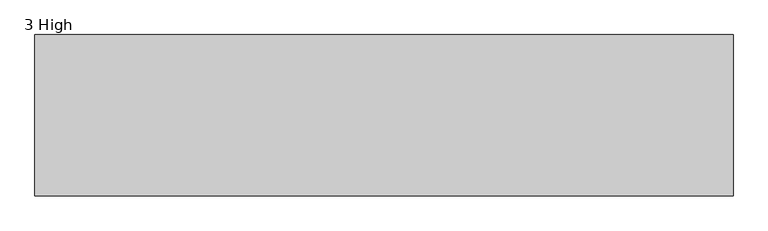
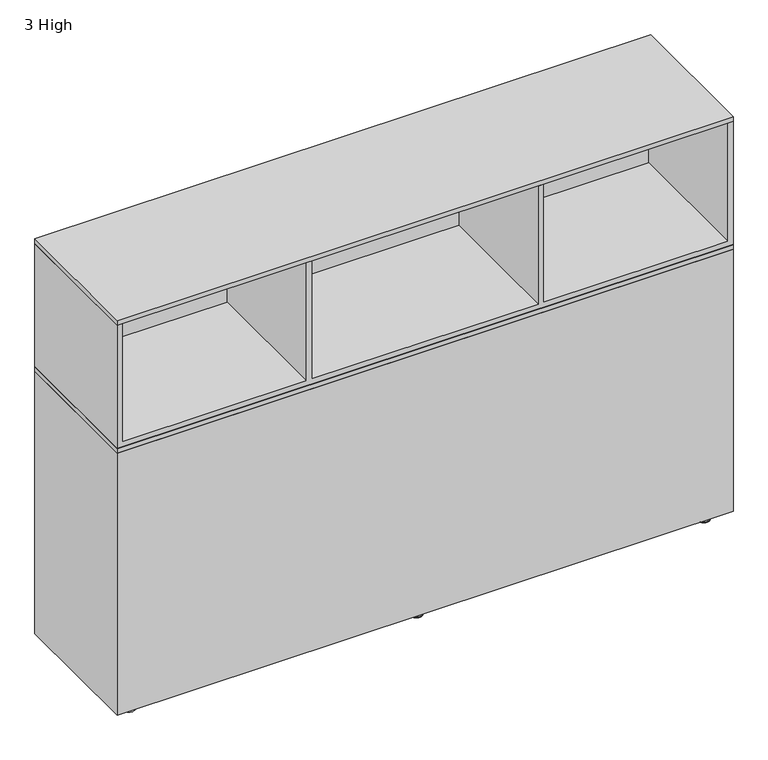
"""IFC4 building model written with IfcOpenShell, lengths in millimetres: furniture geometry, 3 High."""

from ifc_helpers import new_model, si_unit, point, frame, frame_2d, origin, place, context, project, spatial, polyline, circle_curve, ellipse_curve, trimmed, segment, composite_curve, outline, extrude, faceted_brep, source, transform, mapped, element, save
from ifc_brep_helpers import plane_surface, cylinder_surface, revolved_surface, spline_surface, advanced_brep


def furniture_3_high_ace3691c(model_context):
    return source(origin(), model_context, "Body", "SolidModel", [
        extrude(outline(polyline([(1524.0, 0.0), (1524.0, -352.425), (0.0, -352.425), (0.0, 0.0), (1524.0, 0.0)])), frame((0.0, 0.0, 711.2), z_axis=(0.0, 0.0, 1.0), x_axis=(1.0, 0.0, 0.0)), (0.0, 0.0, 1.0), 11.8411135),
        extrude(outline(polyline([(1524.0, 0.0), (1524.0, -352.425), (0.0, -352.425), (0.0, 0.0), (1524.0, 0.0)])), frame((0.0, 0.0, 1045.1923436), z_axis=(0.0, 0.0, 1.0), x_axis=(1.0, 0.0, 0.0)), (0.0, 0.0, 1.0), 12.5983953),
        faceted_brep([(1524.0, 0.0, 1045.1923436), (1524.0, -352.425, 1045.1923436), (1524.0, -352.425, 723.9), (1524.0, 0.0, 723.9), (0.0, 0.0, 1045.1923436), (0.0, 0.0, 723.9), (0.0, -352.425, 723.9), (0.0, -352.425, 1045.1923436), (1510.9189671, -352.425, 1045.1923436), (1510.9189671, -352.425, 736.6), (1054.3793919, -352.425, 736.6), (1054.3793919, -352.425, 1045.1923436), (1041.2984316, -352.425, 1045.1923436), (1041.2984316, -352.425, 736.6), (481.3553933, -352.425, 736.6), (481.3553933, -352.425, 1045.1923436), (468.2743967, -352.425, 1045.1923436), (468.2743967, -352.425, 736.6), (13.081, -352.425, 736.6), (13.081, -352.425, 1045.1923436), (13.081, -13.208, 1045.1923436), (468.2743967, -13.208, 1045.1923436), (481.3553933, -13.208, 1045.1923436), (1041.2984316, -13.208, 1045.1923436), (1054.3793919, -13.208, 1045.1923436), (1510.9189671, -13.208, 1045.1923436), (13.081, -13.208, 736.6), (468.2743967, -13.208, 736.6), (481.3553933, -13.208, 736.6), (1041.2984316, -13.208, 736.6), (1054.3793919, -13.208, 736.6), (1510.9189671, -13.208, 736.6)], [[[0, 1, 2, 3]], [[4, 5, 6, 7]], [[3, 5, 4, 0]], [[2, 6, 5, 3]], [[1, 8, 9, 10, 11, 12, 13, 14, 15, 16, 17, 18, 19, 7, 6, 2]], [[0, 4, 7, 19, 20, 21, 16, 15, 22, 23, 12, 11, 24, 25, 8, 1]], [[20, 19, 18, 26]], [[26, 18, 17, 27]], [[27, 17, 16, 21]], [[22, 15, 14, 28]], [[28, 14, 13, 29]], [[29, 13, 12, 23]], [[24, 11, 10, 30]], [[30, 10, 9, 31]], [[31, 9, 8, 25]], [[25, 24, 30, 31]], [[23, 22, 28, 29]], [[21, 20, 26, 27]]]),
        advanced_brep(
        [(776.7323801, -38.0780241, 2.6178944), (762.0156381, -38.0780241, 2.6178944), (747.2988961, -38.0780241, 2.6178944), (769.706563, -38.0780241, 8.8411838), (754.3247132, -38.0780241, 8.8411838), (769.706563, -38.0780241, 10.8986525), (754.3247132, -38.0780241, 10.8986525), (762.0156381, -38.0780241, 10.8986525)],
        [
            (0, 1),
            (1, 2),
            (2, 0, circle_curve(frame((762.0156381, -38.0780241, 2.6178944), z_axis=(0.0, 0.0, -1.0), x_axis=(-1.0, 0.0, 0.0)), 14.716742)),
            (0, 2, circle_curve(frame((762.0156381, -38.0780241, 2.6178944), z_axis=(0.0, 0.0, -1.0), x_axis=(-1.0, 0.0, 0.0)), 14.716742)),
            (3, 0, circle_curve(frame((776.0093917, -38.0780241, 8.8792349), z_axis=(0.0, -1.0, 0.0), x_axis=(-1.0, 0.0, 0.0)), 6.3029436)),
            (2, 4, circle_curve(frame((748.0218845, -38.0780241, 8.8792349), z_axis=(0.0, -1.0, 0.0), x_axis=(1.0, 0.0, 0.0)), 6.3029436)),
            (4, 3, circle_curve(frame((762.0156381, -38.0780241, 8.8411838), z_axis=(0.0, 0.0, -1.0), x_axis=(-1.0, 0.0, 0.0)), 7.6909249)),
            (3, 4, circle_curve(frame((762.0156381, -38.0780241, 8.8411838), z_axis=(0.0, 0.0, -1.0), x_axis=(-1.0, 0.0, 0.0)), 7.6909249)),
            (5, 3),
            (4, 6),
            (6, 5, circle_curve(frame((762.0156381, -38.0780241, 10.8986525), z_axis=(0.0, 0.0, -1.0), x_axis=(-1.0, 0.0, 0.0)), 7.6909249)),
            (5, 6, circle_curve(frame((762.0156381, -38.0780241, 10.8986525), z_axis=(0.0, 0.0, -1.0), x_axis=(-1.0, 0.0, 0.0)), 7.6909249)),
            (7, 5),
            (6, 7),
        ],
        [
            plane_surface(frame((762.0156381, -38.0780241, 2.6178944), z_axis=(0.0, 0.0, -1.0), x_axis=(-1.0, 0.0, 0.0))),
            revolved_surface(trimmed(ellipse_curve(frame((748.0218845, -38.0780241, 8.8792349), z_axis=(0.0, -1.0, 0.0), x_axis=(1.0, 0.0, 0.0)), 6.3029436, 6.3029436), [point((747.2988961, -38.0780241, 2.6178944))], [point((754.3247132, -38.0780241, 8.8411838))], True, "CARTESIAN"), (762.0156381, -38.0780241, 10.8986525), (0.0, 0.0, 1.0)),
            cylinder_surface(frame((762.0156381, -38.0780241, 10.8986525), z_axis=(0.0, 0.0, 1.0), x_axis=(-1.0, 0.0, 0.0)), 7.6909249),
            plane_surface(frame((762.0156381, -38.0780241, 10.8986525), z_axis=(0.0, 0.0, 1.0), x_axis=(-1.0, 0.0, 0.0))),
        ],
        [
            (0, [[1, 2, 3]]),
            (0, [[-2, -1, 4]]),
            (1, [[5, -3, 6, 7]]),
            (1, [[-6, -4, -5, 8]]),
            (2, [[9, -7, 10, 11]]),
            (2, [[-10, -8, -9, 12]]),
            (3, [[13, -11, 14]]),
            (3, [[-14, -12, -13]]),
        ],
    ),
        advanced_brep(
        [(775.1743443, -38.0780241, 0.0), (762.0269522, -38.0780241, 0.0), (748.8795601, -38.0780241, 0.0), (776.7550083, -38.0780241, 1.580664), (747.2988961, -38.0780241, 1.580664), (776.7550083, -38.0780241, 2.6178944), (747.2988961, -38.0780241, 2.6178944), (762.0269522, -38.0780241, 2.6178944)],
        [
            (0, 1),
            (1, 2),
            (2, 0, circle_curve(frame((762.0269522, -38.0780241, 0.0), z_axis=(0.0, 0.0, -1.0), x_axis=(-1.0, 0.0, 0.0)), 13.1473921)),
            (0, 2, circle_curve(frame((762.0269522, -38.0780241, 0.0), z_axis=(0.0, 0.0, -1.0), x_axis=(-1.0, 0.0, 0.0)), 13.1473921)),
            (3, 0, circle_curve(frame((775.1743443, -38.0780241, 1.580664), z_axis=(0.0, 1.0, 0.0), x_axis=(-1.0, 0.0, 0.0)), 1.580664)),
            (2, 4, circle_curve(frame((748.8795601, -38.0780241, 1.580664), z_axis=(0.0, 1.0, 0.0), x_axis=(1.0, 0.0, 0.0)), 1.580664)),
            (4, 3, circle_curve(frame((762.0269522, -38.0780241, 1.580664), z_axis=(0.0, 0.0, -1.0), x_axis=(-1.0, 0.0, 0.0)), 14.7280561)),
            (3, 4, circle_curve(frame((762.0269522, -38.0780241, 1.580664), z_axis=(0.0, 0.0, -1.0), x_axis=(-1.0, 0.0, 0.0)), 14.7280561)),
            (5, 3),
            (4, 6),
            (6, 5, circle_curve(frame((762.0269522, -38.0780241, 2.6178944), z_axis=(0.0, 0.0, -1.0), x_axis=(-1.0, 0.0, 0.0)), 14.7280561)),
            (5, 6, circle_curve(frame((762.0269522, -38.0780241, 2.6178944), z_axis=(0.0, 0.0, -1.0), x_axis=(-1.0, 0.0, 0.0)), 14.7280561)),
            (7, 5),
            (6, 7),
        ],
        [
            plane_surface(frame((762.0269522, -38.0780241, 0.0), z_axis=(0.0, 0.0, -1.0), x_axis=(-1.0, 0.0, 0.0))),
            revolved_surface(trimmed(ellipse_curve(frame((748.8795601, -38.0780241, 1.580664), z_axis=(0.0, 1.0, 0.0), x_axis=(1.0, 0.0, 0.0)), 1.580664, 1.580664), [point((748.8795601, -38.0780241, 0.0))], [point((747.2988961, -38.0780241, 1.580664))], True, "CARTESIAN"), (762.0269522, -38.0780241, 2.6178944), (0.0, 0.0, 1.0)),
            cylinder_surface(frame((762.0269522, -38.0780241, 2.6178944), z_axis=(0.0, 0.0, 1.0), x_axis=(-1.0, 0.0, 0.0)), 14.7280561),
            plane_surface(frame((762.0269522, -38.0780241, 2.6178944), z_axis=(0.0, 0.0, 1.0), x_axis=(-1.0, 0.0, 0.0))),
        ],
        [
            (0, [[1, 2, 3]]),
            (0, [[-2, -1, 4]]),
            (1, [[5, -3, 6, 7]]),
            (1, [[-6, -4, -5, 8]]),
            (2, [[9, -7, 10, 11]]),
            (2, [[-10, -8, -9, 12]]),
            (3, [[13, -11, 14]]),
            (3, [[-14, -12, -13]]),
        ],
    ),
        extrude(outline(composite_curve([segment(trimmed(circle_curve(frame_2d((762.0156381, -38.1183079)), 3.9557313), [point((758.0599068, -38.1183079))], [point((765.9713694, -38.1183079))], False, "CARTESIAN"), True, "CONTINUOUS"), segment(trimmed(circle_curve(frame_2d((762.0156381, -38.1183079)), 3.9557313), [point((765.9713694, -38.1183079))], [point((758.0599068, -38.1183079))], False, "CARTESIAN"), True, "CONTINUOUS")], self_intersect=False)), frame((0.0, 0.0, 10.8986525), z_axis=(0.0, 0.0, 1.0), x_axis=(1.0, 0.0, 0.0)), (0.0, 0.0, 1.0), 11.6640053),
        advanced_brep(
        [(758.0822362, -38.1098067, 22.5626578), (765.9722002, -38.1098067, 22.5626578), (759.079, -38.1098067, 23.622), (764.9502172, -38.1098067, 23.622)],
        [
            (0, 1, circle_curve(frame((762.0272182, -38.1098067, 22.5626578), z_axis=(0.0, 0.0, -1.0), x_axis=(1.0, 0.0, 0.0)), 3.944982)),
            (1, 0, circle_curve(frame((762.0272182, -38.1098067, 22.5626578), z_axis=(0.0, 0.0, -1.0), x_axis=(1.0, 0.0, 0.0)), 3.944982)),
            (2, 3, circle_curve(frame((762.0146086, -38.1098067, 23.622), z_axis=(0.0, 0.0, 1.0), x_axis=(1.0, 0.0, 0.0)), 2.9356086)),
            (3, 2, circle_curve(frame((762.0146086, -38.1098067, 23.622), z_axis=(0.0, 0.0, 1.0), x_axis=(1.0, 0.0, 0.0)), 2.9356086)),
            (2, 0),
            (1, 3),
        ],
        [
            plane_surface(frame((762.0272182, -38.1098067, 22.5626578), z_axis=(0.0, 0.0, -1.0), x_axis=(0.0, 1.0, 0.0))),
            plane_surface(frame((762.0146086, -38.1098067, 23.622), z_axis=(0.0, 0.0, 1.0), x_axis=(0.0, 1.0, 0.0))),
            spline_surface(1, 2, [[(759.079, -38.1098067, 23.622), (759.079, -41.04541530000002, 23.622), (762.0146086, -41.04541530000002, 23.622), (764.9502172, -41.04541530000002, 23.622), (764.9502172, -38.1098067, 23.622)], [(758.0822362, -38.1098067, 22.5626578), (758.0822362, -42.05478869999998, 22.5626578), (762.0272182, -42.05478869999998, 22.5626578), (765.9722002, -42.05478869999998, 22.5626578), (765.9722002, -38.1098067, 22.5626578)]], [2, 2], [3, 2, 3], [0.0, 1.0], [0.0, 1.0, 2.0], weights=[[1.0, 0.7071067811865476, 1.0, 0.7071067811865476, 1.0], [1.0, 0.7071067811865476, 1.0, 0.7071067811865476, 1.0]]),
            spline_surface(1, 2, [[(764.9502172, -38.1098067, 23.622), (764.9502172, -35.17419809999998, 23.622), (762.0146086, -35.17419809999998, 23.622), (759.079, -35.17419809999998, 23.622), (759.079, -38.1098067, 23.622)], [(765.9722002, -38.1098067, 22.5626578), (765.9722002, -34.16482470000002, 22.5626578), (762.0272182, -34.16482470000002, 22.5626578), (758.0822362, -34.16482470000002, 22.5626578), (758.0822362, -38.1098067, 22.5626578)]], [2, 2], [3, 2, 3], [0.0, 1.0], [0.0, 1.0, 2.0], weights=[[1.0, 0.7071067811865476, 1.0, 0.7071067811865476, 1.0], [1.0, 0.7071067811865476, 1.0, 0.7071067811865476, 1.0]]),
        ],
        [
            (0, [[1, 2]]),
            (1, [[3, 4]]),
            (2, [[5, -2, 6, -3]]),
            (3, [[-6, -1, -5, -4]]),
        ],
    ),
        advanced_brep(
        [(769.706563, -314.3469759, 10.8986525), (762.0156381, -314.3469759, 10.8986525), (754.3247132, -314.3469759, 10.8986525), (769.706563, -314.3469759, 8.8411838), (754.3247132, -314.3469759, 8.8411838), (776.7323801, -314.3469759, 2.6178944), (747.2988961, -314.3469759, 2.6178944), (762.0156381, -314.3469759, 2.6178944)],
        [
            (0, 1),
            (1, 2),
            (2, 0, circle_curve(frame((762.0156381, -314.3469759, 10.8986525), z_axis=(0.0, 0.0, 1.0), x_axis=(-1.0, 0.0, 0.0)), 7.6909249)),
            (0, 2, circle_curve(frame((762.0156381, -314.3469759, 10.8986525), z_axis=(0.0, 0.0, 1.0), x_axis=(-1.0, 0.0, 0.0)), 7.6909249)),
            (3, 0),
            (2, 4),
            (4, 3, circle_curve(frame((762.0156381, -314.3469759, 8.8411838), z_axis=(0.0, 0.0, 1.0), x_axis=(-1.0, 0.0, 0.0)), 7.6909249)),
            (3, 4, circle_curve(frame((762.0156381, -314.3469759, 8.8411838), z_axis=(0.0, 0.0, 1.0), x_axis=(-1.0, 0.0, 0.0)), 7.6909249)),
            (5, 3, circle_curve(frame((776.0093917, -314.3469759, 8.8792349), z_axis=(0.0, 1.0, 0.0), x_axis=(-1.0, 0.0, 0.0)), 6.3029436)),
            (4, 6, circle_curve(frame((748.0218845, -314.3469759, 8.8792349), z_axis=(0.0, 1.0, 0.0), x_axis=(1.0, 0.0, 0.0)), 6.3029436)),
            (6, 5, circle_curve(frame((762.0156381, -314.3469759, 2.6178944), z_axis=(0.0, 0.0, 1.0), x_axis=(-1.0, 0.0, 0.0)), 14.716742)),
            (5, 6, circle_curve(frame((762.0156381, -314.3469759, 2.6178944), z_axis=(0.0, 0.0, 1.0), x_axis=(-1.0, 0.0, 0.0)), 14.716742)),
            (7, 5),
            (6, 7),
        ],
        [
            plane_surface(frame((762.0156381, -314.3469759, 10.8986525), z_axis=(0.0, 0.0, 1.0), x_axis=(-1.0, 0.0, 0.0))),
            cylinder_surface(frame((762.0156381, -314.3469759, 10.8986525), z_axis=(0.0, 0.0, -1.0), x_axis=(-1.0, 0.0, 0.0)), 7.6909249),
            revolved_surface(trimmed(ellipse_curve(frame((748.0218845, -314.3469759, 8.8792349), z_axis=(0.0, 1.0, 0.0), x_axis=(1.0, 0.0, 0.0)), 6.3029436, 6.3029436), [point((754.3247132, -314.3469759, 8.8411838))], [point((747.2988961, -314.3469759, 2.6178944))], True, "CARTESIAN"), (762.0156381, -314.3469759, 10.8986525), (0.0, 0.0, -1.0)),
            plane_surface(frame((762.0156381, -314.3469759, 2.6178944), z_axis=(0.0, 0.0, -1.0), x_axis=(-1.0, 0.0, 0.0))),
        ],
        [
            (0, [[1, 2, 3]]),
            (0, [[-2, -1, 4]]),
            (1, [[5, -3, 6, 7]]),
            (1, [[-6, -4, -5, 8]]),
            (2, [[9, -7, 10, 11]]),
            (2, [[-10, -8, -9, 12]]),
            (3, [[13, -11, 14]]),
            (3, [[-14, -12, -13]]),
        ],
    ),
        advanced_brep(
        [(776.7550083, -314.3469759, 2.6178944), (762.0269522, -314.3469759, 2.6178944), (747.2988961, -314.3469759, 2.6178944), (776.7550083, -314.3469759, 1.580664), (747.2988961, -314.3469759, 1.580664), (775.1743443, -314.3469759, 0.0), (748.8795601, -314.3469759, 0.0), (762.0269522, -314.3469759, 0.0)],
        [
            (0, 1),
            (1, 2),
            (2, 0, circle_curve(frame((762.0269522, -314.3469759, 2.6178944), z_axis=(0.0, 0.0, 1.0), x_axis=(-1.0, 0.0, 0.0)), 14.7280561)),
            (0, 2, circle_curve(frame((762.0269522, -314.3469759, 2.6178944), z_axis=(0.0, 0.0, 1.0), x_axis=(-1.0, 0.0, 0.0)), 14.7280561)),
            (3, 0),
            (2, 4),
            (4, 3, circle_curve(frame((762.0269522, -314.3469759, 1.580664), z_axis=(0.0, 0.0, 1.0), x_axis=(-1.0, 0.0, 0.0)), 14.7280561)),
            (3, 4, circle_curve(frame((762.0269522, -314.3469759, 1.580664), z_axis=(0.0, 0.0, 1.0), x_axis=(-1.0, 0.0, 0.0)), 14.7280561)),
            (5, 3, circle_curve(frame((775.1743443, -314.3469759, 1.580664), z_axis=(0.0, -1.0, 0.0), x_axis=(-1.0, 0.0, 0.0)), 1.580664)),
            (4, 6, circle_curve(frame((748.8795601, -314.3469759, 1.580664), z_axis=(0.0, -1.0, 0.0), x_axis=(1.0, 0.0, 0.0)), 1.580664)),
            (6, 5, circle_curve(frame((762.0269522, -314.3469759, 0.0), z_axis=(0.0, 0.0, 1.0), x_axis=(-1.0, 0.0, 0.0)), 13.1473921)),
            (5, 6, circle_curve(frame((762.0269522, -314.3469759, 0.0), z_axis=(0.0, 0.0, 1.0), x_axis=(-1.0, 0.0, 0.0)), 13.1473921)),
            (7, 5),
            (6, 7),
        ],
        [
            plane_surface(frame((762.0269522, -314.3469759, 2.6178944), z_axis=(0.0, 0.0, 1.0), x_axis=(-1.0, 0.0, 0.0))),
            cylinder_surface(frame((762.0269522, -314.3469759, 2.6178944), z_axis=(0.0, 0.0, -1.0), x_axis=(-1.0, 0.0, 0.0)), 14.7280561),
            revolved_surface(trimmed(ellipse_curve(frame((748.8795601, -314.3469759, 1.580664), z_axis=(0.0, -1.0, 0.0), x_axis=(1.0, 0.0, 0.0)), 1.580664, 1.580664), [point((747.2988961, -314.3469759, 1.580664))], [point((748.8795601, -314.3469759, 0.0))], True, "CARTESIAN"), (762.0269522, -314.3469759, 2.6178944), (0.0, 0.0, -1.0)),
            plane_surface(frame((762.0269522, -314.3469759, 0.0), z_axis=(0.0, 0.0, -1.0), x_axis=(-1.0, 0.0, 0.0))),
        ],
        [
            (0, [[1, 2, 3]]),
            (0, [[-2, -1, 4]]),
            (1, [[5, -3, 6, 7]]),
            (1, [[-6, -4, -5, 8]]),
            (2, [[9, -7, 10, 11]]),
            (2, [[-10, -8, -9, 12]]),
            (3, [[13, -11, 14]]),
            (3, [[-14, -12, -13]]),
        ],
    ),
        extrude(outline(composite_curve([segment(trimmed(circle_curve(frame_2d((762.0156381, -314.3066921)), 3.9557313), [point((758.0599068, -314.3066921))], [point((765.9713694, -314.3066921))], False, "CARTESIAN"), True, "CONTINUOUS"), segment(trimmed(circle_curve(frame_2d((762.0156381, -314.3066921)), 3.9557313), [point((765.9713694, -314.3066921))], [point((758.0599068, -314.3066921))], False, "CARTESIAN"), True, "CONTINUOUS")], self_intersect=False)), frame((0.0, 0.0, 10.8986525), z_axis=(0.0, 0.0, 1.0), x_axis=(1.0, 0.0, 0.0)), (0.0, 0.0, 1.0), 11.6640053),
        advanced_brep(
        [(758.0822362, -314.3151933, 22.5626578), (765.9722002, -314.3151933, 22.5626578), (759.079, -314.3151933, 23.622), (764.9502172, -314.3151933, 23.622)],
        [
            (0, 1, circle_curve(frame((762.0272182, -314.3151933, 22.5626578), z_axis=(0.0, 0.0, -1.0), x_axis=(1.0, 0.0, 0.0)), 3.944982)),
            (1, 0, circle_curve(frame((762.0272182, -314.3151933, 22.5626578), z_axis=(0.0, 0.0, -1.0), x_axis=(1.0, 0.0, 0.0)), 3.944982)),
            (2, 3, circle_curve(frame((762.0146086, -314.3151933, 23.622), z_axis=(0.0, 0.0, 1.0), x_axis=(1.0, 0.0, 0.0)), 2.9356086)),
            (3, 2, circle_curve(frame((762.0146086, -314.3151933, 23.622), z_axis=(0.0, 0.0, 1.0), x_axis=(1.0, 0.0, 0.0)), 2.9356086)),
            (2, 0),
            (1, 3),
        ],
        [
            plane_surface(frame((762.0272182, -314.3151933, 22.5626578), z_axis=(0.0, 0.0, -1.0), x_axis=(0.0, 1.0, 0.0))),
            plane_surface(frame((762.0146086, -314.3151933, 23.622), z_axis=(0.0, 0.0, 1.0), x_axis=(0.0, 1.0, 0.0))),
            spline_surface(1, 2, [[(759.079, -314.3151933, 23.622), (759.079, -317.2508019, 23.622), (762.0146086, -317.2508019, 23.622), (764.9502172, -317.2508019, 23.622), (764.9502172, -314.3151933, 23.622)], [(758.0822362, -314.3151933, 22.5626578), (758.0822362, -318.26017529999996, 22.5626578), (762.0272182, -318.26017529999996, 22.5626578), (765.9722002, -318.26017529999996, 22.5626578), (765.9722002, -314.3151933, 22.5626578)]], [2, 2], [3, 2, 3], [0.0, 1.0], [0.0, 1.0, 2.0], weights=[[1.0, 0.7071067811865476, 1.0, 0.7071067811865476, 1.0], [1.0, 0.7071067811865476, 1.0, 0.7071067811865476, 1.0]]),
            spline_surface(1, 2, [[(764.9502172, -314.3151933, 23.622), (764.9502172, -311.37958469999995, 23.622), (762.0146086, -311.37958469999995, 23.622), (759.079, -311.37958469999995, 23.622), (759.079, -314.3151933, 23.622)], [(765.9722002, -314.3151933, 22.5626578), (765.9722002, -310.3702113, 22.5626578), (762.0272182, -310.3702113, 22.5626578), (758.0822362, -310.3702113, 22.5626578), (758.0822362, -314.3151933, 22.5626578)]], [2, 2], [3, 2, 3], [0.0, 1.0], [0.0, 1.0, 2.0], weights=[[1.0, 0.7071067811865476, 1.0, 0.7071067811865476, 1.0], [1.0, 0.7071067811865476, 1.0, 0.7071067811865476, 1.0]]),
        ],
        [
            (0, [[1, 2]]),
            (1, [[3, 4]]),
            (2, [[5, -2, 6, -3]]),
            (3, [[-6, -1, -5, -4]]),
        ],
    ),
        faceted_brep([(0.0, 0.0, 711.2), (13.081, 0.0, 711.2), (13.081, 0.0, 381.0), (468.2743967, 0.0, 381.0), (468.2743967, 0.0, 711.2), (481.3553933, 0.0, 711.2), (481.3553933, 0.0, 381.0), (1041.2984316, 0.0, 381.0), (1041.2984316, 0.0, 711.2), (1054.3793919, 0.0, 711.2), (1054.3793919, 0.0, 381.0), (1510.9189671, 0.0, 381.0), (1510.9189671, 0.0, 711.2), (1524.0, 0.0, 711.2), (1524.0, 0.0, 25.4), (0.0, 0.0, 25.4), (13.081, 0.0, 368.3), (13.081, 0.0, 38.1), (468.2743967, 0.0, 38.1), (468.2743967, 0.0, 368.3), (481.3553933, 0.0, 368.3), (481.3553933, 0.0, 38.1), (1041.2984316, 0.0, 38.1), (1041.2984316, 0.0, 368.3), (1054.3793919, 0.0, 368.3), (1054.3793919, 0.0, 38.1), (1510.9189671, 0.0, 38.1), (1510.9189671, 0.0, 368.3), (1524.0, -352.425, 711.2), (0.0, -352.425, 711.2), (0.0, -352.425, 25.4), (1524.0, -352.425, 25.4), (1510.9189671, -339.344, 711.2), (1054.3793919, -339.344, 711.2), (1041.2984316, -339.344, 711.2), (481.3553933, -339.344, 711.2), (468.2743967, -339.344, 711.2), (13.081, -339.344, 711.2), (468.2743967, -339.344, 381.0), (13.081, -339.344, 381.0), (1041.2984316, -339.344, 381.0), (481.3553933, -339.344, 381.0), (1510.9189671, -339.344, 381.0), (1054.3793919, -339.344, 381.0), (468.2743967, -339.344, 368.3), (468.2743967, -339.344, 38.1), (13.081, -339.344, 38.1), (13.081, -339.344, 368.3), (1041.2984316, -339.344, 368.3), (1041.2984316, -339.344, 38.1), (481.3553933, -339.344, 38.1), (481.3553933, -339.344, 368.3), (1510.9189671, -339.344, 368.3), (1510.9189671, -339.344, 38.1), (1054.3793919, -339.344, 38.1), (1054.3793919, -339.344, 368.3)], [[[0, 1, 2, 3, 4, 5, 6, 7, 8, 9, 10, 11, 12, 13, 14, 15], [16, 17, 18, 19], [20, 21, 22, 23], [24, 25, 26, 27]], [[28, 29, 30, 31]], [[28, 13, 12, 32, 33, 9, 8, 34, 35, 5, 4, 36, 37, 1, 0, 29]], [[15, 30, 29, 0]], [[14, 31, 30, 15]], [[13, 28, 31, 14]], [[37, 36, 38, 39]], [[35, 34, 40, 41]], [[33, 32, 42, 43]], [[44, 45, 46, 47]], [[48, 49, 50, 51]], [[52, 53, 54, 55]], [[39, 2, 1, 37]], [[38, 3, 2, 39]], [[36, 4, 3, 38]], [[41, 6, 5, 35]], [[40, 7, 6, 41]], [[34, 8, 7, 40]], [[43, 10, 9, 33]], [[42, 11, 10, 43]], [[32, 12, 11, 42]], [[47, 16, 19, 44]], [[46, 17, 16, 47]], [[45, 18, 17, 46]], [[44, 19, 18, 45]], [[51, 20, 23, 48]], [[50, 21, 20, 51]], [[49, 22, 21, 50]], [[48, 23, 22, 49]], [[55, 24, 27, 52]], [[54, 25, 24, 55]], [[53, 26, 25, 54]], [[52, 27, 26, 53]]]),
        extrude(outline(polyline([(25.4000008, -13.0809966), (76.2, -13.0809966), (76.2, -339.344), (25.4000008, -339.344), (25.4000008, -13.0809966)])), frame((0.0, 0.0, 15.8750011), z_axis=(0.0, 0.0, 1.0), x_axis=(1.0, 0.0, 0.0)), (0.0, 0.0, 1.0), 9.5249989),
        extrude(outline(polyline([(736.6000242, -13.0809966), (787.4000235, -13.0809966), (787.4000235, -339.344), (736.6000242, -339.344), (736.6000242, -13.0809966)])), frame((0.0, 0.0, 15.8750011), z_axis=(0.0, 0.0, 1.0), x_axis=(1.0, 0.0, 0.0)), (0.0, 0.0, 1.0), 9.5249989),
        extrude(outline(polyline([(1447.8, -13.0809966), (1498.5999992, -13.0809966), (1498.5999992, -339.344), (1447.8, -339.344), (1447.8, -13.0809966)])), frame((0.0, 0.0, 15.8750011), z_axis=(0.0, 0.0, 1.0), x_axis=(1.0, 0.0, 0.0)), (0.0, 0.0, 1.0), 9.5249989),
        advanced_brep(
        [(1465.5173965, -38.0780241, 10.8986525), (1473.2083214, -38.0780241, 10.8986525), (1480.8992463, -38.0780241, 10.8986525), (1465.5173965, -38.0780241, 8.8411838), (1480.8992463, -38.0780241, 8.8411838), (1458.4915794, -38.0780241, 2.6178944), (1487.9250634, -38.0780241, 2.6178944), (1473.2083214, -38.0780241, 2.6178944)],
        [
            (0, 1),
            (1, 2),
            (2, 0, circle_curve(frame((1473.2083214, -38.0780241, 10.8986525), z_axis=(0.0, 0.0, 1.0), x_axis=(1.0, 0.0, 0.0)), 7.6909249)),
            (0, 2, circle_curve(frame((1473.2083214, -38.0780241, 10.8986525), z_axis=(0.0, 0.0, 1.0), x_axis=(1.0, 0.0, 0.0)), 7.6909249)),
            (3, 0),
            (2, 4),
            (4, 3, circle_curve(frame((1473.2083214, -38.0780241, 8.8411838), z_axis=(0.0, 0.0, 1.0), x_axis=(1.0, 0.0, 0.0)), 7.6909249)),
            (3, 4, circle_curve(frame((1473.2083214, -38.0780241, 8.8411838), z_axis=(0.0, 0.0, 1.0), x_axis=(1.0, 0.0, 0.0)), 7.6909249)),
            (5, 3, circle_curve(frame((1459.2145678, -38.0780241, 8.8792349), z_axis=(0.0, -1.0, 0.0), x_axis=(1.0, 0.0, 0.0)), 6.3029436)),
            (4, 6, circle_curve(frame((1487.202075, -38.0780241, 8.8792349), z_axis=(0.0, -1.0, 0.0), x_axis=(-1.0, 0.0, 0.0)), 6.3029436)),
            (6, 5, circle_curve(frame((1473.2083214, -38.0780241, 2.6178944), z_axis=(0.0, 0.0, 1.0), x_axis=(1.0, 0.0, 0.0)), 14.716742)),
            (5, 6, circle_curve(frame((1473.2083214, -38.0780241, 2.6178944), z_axis=(0.0, 0.0, 1.0), x_axis=(1.0, 0.0, 0.0)), 14.716742)),
            (7, 5),
            (6, 7),
        ],
        [
            plane_surface(frame((1473.2083214, -38.0780241, 10.8986525), z_axis=(0.0, 0.0, 1.0), x_axis=(1.0, 0.0, 0.0))),
            cylinder_surface(frame((1473.2083214, -38.0780241, 10.8986525), z_axis=(0.0, 0.0, -1.0), x_axis=(1.0, 0.0, 0.0)), 7.6909249),
            revolved_surface(trimmed(ellipse_curve(frame((1487.202075, -38.0780241, 8.8792349), z_axis=(0.0, -1.0, 0.0), x_axis=(-1.0, 0.0, 0.0)), 6.3029436, 6.3029436), [point((1480.8992463, -38.0780241, 8.8411838))], [point((1487.9250634, -38.0780241, 2.6178944))], True, "CARTESIAN"), (1473.2083214, -38.0780241, 10.8986525), (0.0, 0.0, -1.0)),
            plane_surface(frame((1473.2083214, -38.0780241, 2.6178944), z_axis=(0.0, 0.0, -1.0), x_axis=(1.0, 0.0, 0.0))),
        ],
        [
            (0, [[1, 2, 3]]),
            (0, [[-2, -1, 4]]),
            (1, [[5, -3, 6, 7]]),
            (1, [[-6, -4, -5, 8]]),
            (2, [[9, -7, 10, 11]]),
            (2, [[-10, -8, -9, 12]]),
            (3, [[13, -11, 14]]),
            (3, [[-14, -12, -13]]),
        ],
    ),
        advanced_brep(
        [(1458.4689512, -38.0780241, 2.6178944), (1473.1970073, -38.0780241, 2.6178944), (1487.9250634, -38.0780241, 2.6178944), (1458.4689512, -38.0780241, 1.580664), (1487.9250634, -38.0780241, 1.580664), (1460.0496152, -38.0780241, 0.0), (1486.3443994, -38.0780241, 0.0), (1473.1970073, -38.0780241, 0.0)],
        [
            (0, 1),
            (1, 2),
            (2, 0, circle_curve(frame((1473.1970073, -38.0780241, 2.6178944), z_axis=(0.0, 0.0, 1.0), x_axis=(1.0, 0.0, 0.0)), 14.7280561)),
            (0, 2, circle_curve(frame((1473.1970073, -38.0780241, 2.6178944), z_axis=(0.0, 0.0, 1.0), x_axis=(1.0, 0.0, 0.0)), 14.7280561)),
            (3, 0),
            (2, 4),
            (4, 3, circle_curve(frame((1473.1970073, -38.0780241, 1.580664), z_axis=(0.0, 0.0, 1.0), x_axis=(1.0, 0.0, 0.0)), 14.7280561)),
            (3, 4, circle_curve(frame((1473.1970073, -38.0780241, 1.580664), z_axis=(0.0, 0.0, 1.0), x_axis=(1.0, 0.0, 0.0)), 14.7280561)),
            (5, 3, circle_curve(frame((1460.0496152, -38.0780241, 1.580664), z_axis=(0.0, 1.0, 0.0), x_axis=(1.0, 0.0, 0.0)), 1.580664)),
            (4, 6, circle_curve(frame((1486.3443994, -38.0780241, 1.580664), z_axis=(0.0, 1.0, 0.0), x_axis=(-1.0, 0.0, 0.0)), 1.580664)),
            (6, 5, circle_curve(frame((1473.1970073, -38.0780241, 0.0), z_axis=(0.0, 0.0, 1.0), x_axis=(1.0, 0.0, 0.0)), 13.1473921)),
            (5, 6, circle_curve(frame((1473.1970073, -38.0780241, 0.0), z_axis=(0.0, 0.0, 1.0), x_axis=(1.0, 0.0, 0.0)), 13.1473921)),
            (7, 5),
            (6, 7),
        ],
        [
            plane_surface(frame((1473.1970073, -38.0780241, 2.6178944), z_axis=(0.0, 0.0, 1.0), x_axis=(1.0, 0.0, 0.0))),
            cylinder_surface(frame((1473.1970073, -38.0780241, 2.6178944), z_axis=(0.0, 0.0, -1.0), x_axis=(1.0, 0.0, 0.0)), 14.7280561),
            revolved_surface(trimmed(ellipse_curve(frame((1486.3443994, -38.0780241, 1.580664), z_axis=(0.0, 1.0, 0.0), x_axis=(-1.0, 0.0, 0.0)), 1.580664, 1.580664), [point((1487.9250634, -38.0780241, 1.580664))], [point((1486.3443994, -38.0780241, 0.0))], True, "CARTESIAN"), (1473.1970073, -38.0780241, 2.6178944), (0.0, 0.0, -1.0)),
            plane_surface(frame((1473.1970073, -38.0780241, 0.0), z_axis=(0.0, 0.0, -1.0), x_axis=(1.0, 0.0, 0.0))),
        ],
        [
            (0, [[1, 2, 3]]),
            (0, [[-2, -1, 4]]),
            (1, [[5, -3, 6, 7]]),
            (1, [[-6, -4, -5, 8]]),
            (2, [[9, -7, 10, 11]]),
            (2, [[-10, -8, -9, 12]]),
            (3, [[13, -11, 14]]),
            (3, [[-14, -12, -13]]),
        ],
    ),
        extrude(outline(composite_curve([segment(trimmed(circle_curve(frame_2d((1473.2083214, -38.1183079)), 3.9557313), [point((1477.1640527, -38.1183079))], [point((1469.2525901, -38.1183079))], False, "CARTESIAN"), True, "CONTINUOUS"), segment(trimmed(circle_curve(frame_2d((1473.2083214, -38.1183079)), 3.9557313), [point((1469.2525901, -38.1183079))], [point((1477.1640527, -38.1183079))], False, "CARTESIAN"), True, "CONTINUOUS")], self_intersect=False)), frame((0.0, 0.0, 10.8986525), z_axis=(0.0, 0.0, 1.0), x_axis=(1.0, 0.0, 0.0)), (0.0, 0.0, 1.0), 11.6640053),
        advanced_brep(
        [(1477.1417233, -38.1098067, 22.5626578), (1469.2517593, -38.1098067, 22.5626578), (1476.1449595, -38.1098067, 23.622), (1470.2737423, -38.1098067, 23.622)],
        [
            (0, 1, circle_curve(frame((1473.1967413, -38.1098067, 22.5626578), z_axis=(0.0, 0.0, -1.0), x_axis=(-1.0, 0.0, 0.0)), 3.944982)),
            (1, 0, circle_curve(frame((1473.1967413, -38.1098067, 22.5626578), z_axis=(0.0, 0.0, -1.0), x_axis=(-1.0, 0.0, 0.0)), 3.944982)),
            (2, 3, circle_curve(frame((1473.2093509, -38.1098067, 23.622), z_axis=(0.0, 0.0, 1.0), x_axis=(-1.0, 0.0, 0.0)), 2.9356086)),
            (3, 2, circle_curve(frame((1473.2093509, -38.1098067, 23.622), z_axis=(0.0, 0.0, 1.0), x_axis=(-1.0, 0.0, 0.0)), 2.9356086)),
            (2, 0),
            (1, 3),
        ],
        [
            plane_surface(frame((1473.1967413, -38.1098067, 22.5626578), z_axis=(0.0, 0.0, -1.0), x_axis=(0.0, -1.0, 0.0))),
            plane_surface(frame((1473.2093509, -38.1098067, 23.622), z_axis=(0.0, 0.0, 1.0), x_axis=(0.0, -1.0, 0.0))),
            spline_surface(1, 2, [[(1476.1449595, -38.1098067, 23.622), (1476.1449595, -35.17419809999998, 23.622), (1473.2093509, -35.17419809999998, 23.622), (1470.2737422999999, -35.17419809999998, 23.622), (1470.2737423, -38.1098067, 23.622)], [(1477.1417233, -38.1098067, 22.5626578), (1477.1417233, -34.16482470000002, 22.5626578), (1473.1967413, -34.16482470000002, 22.5626578), (1469.2517593, -34.16482470000002, 22.5626578), (1469.2517593, -38.1098067, 22.5626578)]], [2, 2], [3, 2, 3], [0.0, 1.0], [0.0, 1.0, 2.0], weights=[[1.0, 0.7071067811865476, 1.0, 0.7071067811865476, 1.0], [1.0, 0.7071067811865476, 1.0, 0.7071067811865476, 1.0]]),
            spline_surface(1, 2, [[(1470.2737423, -38.1098067, 23.622), (1470.2737423, -41.045415299999796, 23.622), (1473.2093509, -41.045415299999796, 23.622), (1476.1449594999997, -41.045415299999796, 23.622), (1476.1449595, -38.1098067, 23.622)], [(1469.2517593, -38.1098067, 22.5626578), (1469.2517593, -42.05478869999998, 22.5626578), (1473.1967413, -42.05478869999998, 22.5626578), (1477.1417233, -42.05478869999998, 22.5626578), (1477.1417233, -38.1098067, 22.5626578)]], [2, 2], [3, 2, 3], [0.0, 1.0], [0.0, 1.0, 2.0], weights=[[1.0, 0.7071067811865476, 1.0, 0.7071067811865476, 1.0], [1.0, 0.7071067811865476, 1.0, 0.7071067811865476, 1.0]]),
        ],
        [
            (0, [[1, 2]]),
            (1, [[3, 4]]),
            (2, [[5, -2, 6, -3]]),
            (3, [[-6, -1, -5, -4]]),
        ],
    ),
        advanced_brep(
        [(65.5084206, -38.0780241, 2.6178944), (50.7916786, -38.0780241, 2.6178944), (36.0749366, -38.0780241, 2.6178944), (58.4826035, -38.0780241, 8.8411838), (43.1007537, -38.0780241, 8.8411838), (58.4826035, -38.0780241, 10.8986525), (43.1007537, -38.0780241, 10.8986525), (50.7916786, -38.0780241, 10.8986525)],
        [
            (0, 1),
            (1, 2),
            (2, 0, circle_curve(frame((50.7916786, -38.0780241, 2.6178944), z_axis=(0.0, 0.0, -1.0), x_axis=(-1.0, 0.0, 0.0)), 14.716742)),
            (0, 2, circle_curve(frame((50.7916786, -38.0780241, 2.6178944), z_axis=(0.0, 0.0, -1.0), x_axis=(-1.0, 0.0, 0.0)), 14.716742)),
            (3, 0, circle_curve(frame((64.7854322, -38.0780241, 8.8792349), z_axis=(0.0, -1.0, 0.0), x_axis=(-1.0, 0.0, 0.0)), 6.3029436)),
            (2, 4, circle_curve(frame((36.797925, -38.0780241, 8.8792349), z_axis=(0.0, -1.0, 0.0), x_axis=(1.0, 0.0, 0.0)), 6.3029436)),
            (4, 3, circle_curve(frame((50.7916786, -38.0780241, 8.8411838), z_axis=(0.0, 0.0, -1.0), x_axis=(-1.0, 0.0, 0.0)), 7.6909249)),
            (3, 4, circle_curve(frame((50.7916786, -38.0780241, 8.8411838), z_axis=(0.0, 0.0, -1.0), x_axis=(-1.0, 0.0, 0.0)), 7.6909249)),
            (5, 3),
            (4, 6),
            (6, 5, circle_curve(frame((50.7916786, -38.0780241, 10.8986525), z_axis=(0.0, 0.0, -1.0), x_axis=(-1.0, 0.0, 0.0)), 7.6909249)),
            (5, 6, circle_curve(frame((50.7916786, -38.0780241, 10.8986525), z_axis=(0.0, 0.0, -1.0), x_axis=(-1.0, 0.0, 0.0)), 7.6909249)),
            (7, 5),
            (6, 7),
        ],
        [
            plane_surface(frame((50.7916786, -38.0780241, 2.6178944), z_axis=(0.0, 0.0, -1.0), x_axis=(-1.0, 0.0, 0.0))),
            revolved_surface(trimmed(ellipse_curve(frame((36.797925, -38.0780241, 8.8792349), z_axis=(0.0, -1.0, 0.0), x_axis=(1.0, 0.0, 0.0)), 6.3029436, 6.3029436), [point((36.0749366, -38.0780241, 2.6178944))], [point((43.1007537, -38.0780241, 8.8411838))], True, "CARTESIAN"), (50.7916786, -38.0780241, 10.8986525), (0.0, 0.0, 1.0)),
            cylinder_surface(frame((50.7916786, -38.0780241, 10.8986525), z_axis=(0.0, 0.0, 1.0), x_axis=(-1.0, 0.0, 0.0)), 7.6909249),
            plane_surface(frame((50.7916786, -38.0780241, 10.8986525), z_axis=(0.0, 0.0, 1.0), x_axis=(-1.0, 0.0, 0.0))),
        ],
        [
            (0, [[1, 2, 3]]),
            (0, [[-2, -1, 4]]),
            (1, [[5, -3, 6, 7]]),
            (1, [[-6, -4, -5, 8]]),
            (2, [[9, -7, 10, 11]]),
            (2, [[-10, -8, -9, 12]]),
            (3, [[13, -11, 14]]),
            (3, [[-14, -12, -13]]),
        ],
    ),
        advanced_brep(
        [(63.9503848, -38.0780241, 0.0), (50.8029927, -38.0780241, 0.0), (37.6556006, -38.0780241, 0.0), (65.5310488, -38.0780241, 1.580664), (36.0749366, -38.0780241, 1.580664), (65.5310488, -38.0780241, 2.6178944), (36.0749366, -38.0780241, 2.6178944), (50.8029927, -38.0780241, 2.6178944)],
        [
            (0, 1),
            (1, 2),
            (2, 0, circle_curve(frame((50.8029927, -38.0780241, 0.0), z_axis=(0.0, 0.0, -1.0), x_axis=(-1.0, 0.0, 0.0)), 13.1473921)),
            (0, 2, circle_curve(frame((50.8029927, -38.0780241, 0.0), z_axis=(0.0, 0.0, -1.0), x_axis=(-1.0, 0.0, 0.0)), 13.1473921)),
            (3, 0, circle_curve(frame((63.9503848, -38.0780241, 1.580664), z_axis=(0.0, 1.0, 0.0), x_axis=(-1.0, 0.0, 0.0)), 1.580664)),
            (2, 4, circle_curve(frame((37.6556006, -38.0780241, 1.580664), z_axis=(0.0, 1.0, 0.0), x_axis=(1.0, 0.0, 0.0)), 1.580664)),
            (4, 3, circle_curve(frame((50.8029927, -38.0780241, 1.580664), z_axis=(0.0, 0.0, -1.0), x_axis=(-1.0, 0.0, 0.0)), 14.7280561)),
            (3, 4, circle_curve(frame((50.8029927, -38.0780241, 1.580664), z_axis=(0.0, 0.0, -1.0), x_axis=(-1.0, 0.0, 0.0)), 14.7280561)),
            (5, 3),
            (4, 6),
            (6, 5, circle_curve(frame((50.8029927, -38.0780241, 2.6178944), z_axis=(0.0, 0.0, -1.0), x_axis=(-1.0, 0.0, 0.0)), 14.7280561)),
            (5, 6, circle_curve(frame((50.8029927, -38.0780241, 2.6178944), z_axis=(0.0, 0.0, -1.0), x_axis=(-1.0, 0.0, 0.0)), 14.7280561)),
            (7, 5),
            (6, 7),
        ],
        [
            plane_surface(frame((50.8029927, -38.0780241, 0.0), z_axis=(0.0, 0.0, -1.0), x_axis=(-1.0, 0.0, 0.0))),
            revolved_surface(trimmed(ellipse_curve(frame((37.6556006, -38.0780241, 1.580664), z_axis=(0.0, 1.0, 0.0), x_axis=(1.0, 0.0, 0.0)), 1.580664, 1.580664), [point((37.6556006, -38.0780241, 0.0))], [point((36.0749366, -38.0780241, 1.580664))], True, "CARTESIAN"), (50.8029927, -38.0780241, 2.6178944), (0.0, 0.0, 1.0)),
            cylinder_surface(frame((50.8029927, -38.0780241, 2.6178944), z_axis=(0.0, 0.0, 1.0), x_axis=(-1.0, 0.0, 0.0)), 14.7280561),
            plane_surface(frame((50.8029927, -38.0780241, 2.6178944), z_axis=(0.0, 0.0, 1.0), x_axis=(-1.0, 0.0, 0.0))),
        ],
        [
            (0, [[1, 2, 3]]),
            (0, [[-2, -1, 4]]),
            (1, [[5, -3, 6, 7]]),
            (1, [[-6, -4, -5, 8]]),
            (2, [[9, -7, 10, 11]]),
            (2, [[-10, -8, -9, 12]]),
            (3, [[13, -11, 14]]),
            (3, [[-14, -12, -13]]),
        ],
    ),
        extrude(outline(composite_curve([segment(trimmed(circle_curve(frame_2d((50.7916786, -38.1183079)), 3.9557313), [point((46.8359473, -38.1183079))], [point((54.7474099, -38.1183079))], False, "CARTESIAN"), True, "CONTINUOUS"), segment(trimmed(circle_curve(frame_2d((50.7916786, -38.1183079)), 3.9557313), [point((54.7474099, -38.1183079))], [point((46.8359473, -38.1183079))], False, "CARTESIAN"), True, "CONTINUOUS")], self_intersect=False)), frame((0.0, 0.0, 10.8986525), z_axis=(0.0, 0.0, 1.0), x_axis=(1.0, 0.0, 0.0)), (0.0, 0.0, 1.0), 11.6640053),
        advanced_brep(
        [(46.8582767, -38.1098067, 22.5626578), (54.7482407, -38.1098067, 22.5626578), (47.8550405, -38.1098067, 23.622), (53.7262577, -38.1098067, 23.622)],
        [
            (0, 1, circle_curve(frame((50.8032587, -38.1098067, 22.5626578), z_axis=(0.0, 0.0, -1.0), x_axis=(1.0, 0.0, 0.0)), 3.944982)),
            (1, 0, circle_curve(frame((50.8032587, -38.1098067, 22.5626578), z_axis=(0.0, 0.0, -1.0), x_axis=(1.0, 0.0, 0.0)), 3.944982)),
            (2, 3, circle_curve(frame((50.7906491, -38.1098067, 23.622), z_axis=(0.0, 0.0, 1.0), x_axis=(1.0, 0.0, 0.0)), 2.9356086)),
            (3, 2, circle_curve(frame((50.7906491, -38.1098067, 23.622), z_axis=(0.0, 0.0, 1.0), x_axis=(1.0, 0.0, 0.0)), 2.9356086)),
            (2, 0),
            (1, 3),
        ],
        [
            plane_surface(frame((50.8032587, -38.1098067, 22.5626578), z_axis=(0.0, 0.0, -1.0), x_axis=(0.0, 1.0, 0.0))),
            plane_surface(frame((50.7906491, -38.1098067, 23.622), z_axis=(0.0, 0.0, 1.0), x_axis=(0.0, 1.0, 0.0))),
            spline_surface(1, 2, [[(47.8550405, -38.1098067, 23.622), (47.8550405, -41.0454153, 23.622), (50.7906491, -41.0454153, 23.622), (53.726257700000005, -41.04541530000001, 23.622), (53.7262577, -38.1098067, 23.622)], [(46.8582767, -38.1098067, 22.5626578), (46.8582767, -42.0547887, 22.5626578), (50.8032587, -42.0547887, 22.5626578), (54.748240700000004, -42.05478870000001, 22.5626578), (54.7482407, -38.1098067, 22.5626578)]], [2, 2], [3, 2, 3], [0.0, 1.0], [0.0, 1.0, 2.0], weights=[[1.0, 0.7071067811865476, 1.0, 0.7071067811865469, 1.0], [1.0, 0.7071067811865476, 1.0, 0.7071067811865469, 1.0]]),
            spline_surface(1, 2, [[(53.7262577, -38.1098067, 23.622), (53.7262577, -35.174198100000005, 23.622), (50.7906491, -35.174198100000005, 23.622), (47.85504050000001, -35.17419810000001, 23.622), (47.8550405, -38.1098067, 23.622)], [(54.7482407, -38.1098067, 22.5626578), (54.7482407, -34.164824700000004, 22.5626578), (50.8032587, -34.164824700000004, 22.5626578), (46.858276700000005, -34.16482470000001, 22.5626578), (46.8582767, -38.1098067, 22.5626578)]], [2, 2], [3, 2, 3], [0.0, 1.0], [0.0, 1.0, 2.0], weights=[[1.0, 0.7071067811865476, 1.0, 0.7071067811865481, 1.0], [1.0, 0.7071067811865476, 1.0, 0.7071067811865481, 1.0]]),
        ],
        [
            (0, [[1, 2]]),
            (1, [[3, 4]]),
            (2, [[5, -2, 6, -3]]),
            (3, [[-6, -1, -5, -4]]),
        ],
    ),
        advanced_brep(
        [(1458.4915794, -314.3469759, 2.6178944), (1473.2083214, -314.3469759, 2.6178944), (1487.9250634, -314.3469759, 2.6178944), (1465.5173965, -314.3469759, 8.8411838), (1480.8992463, -314.3469759, 8.8411838), (1465.5173965, -314.3469759, 10.8986525), (1480.8992463, -314.3469759, 10.8986525), (1473.2083214, -314.3469759, 10.8986525)],
        [
            (0, 1),
            (1, 2),
            (2, 0, circle_curve(frame((1473.2083214, -314.3469759, 2.6178944), z_axis=(0.0, 0.0, -1.0), x_axis=(1.0, 0.0, 0.0)), 14.716742)),
            (0, 2, circle_curve(frame((1473.2083214, -314.3469759, 2.6178944), z_axis=(0.0, 0.0, -1.0), x_axis=(1.0, 0.0, 0.0)), 14.716742)),
            (3, 0, circle_curve(frame((1459.2145678, -314.3469759, 8.8792349), z_axis=(0.0, 1.0, 0.0), x_axis=(1.0, 0.0, 0.0)), 6.3029436)),
            (2, 4, circle_curve(frame((1487.202075, -314.3469759, 8.8792349), z_axis=(0.0, 1.0, 0.0), x_axis=(-1.0, 0.0, 0.0)), 6.3029436)),
            (4, 3, circle_curve(frame((1473.2083214, -314.3469759, 8.8411838), z_axis=(0.0, 0.0, -1.0), x_axis=(1.0, 0.0, 0.0)), 7.6909249)),
            (3, 4, circle_curve(frame((1473.2083214, -314.3469759, 8.8411838), z_axis=(0.0, 0.0, -1.0), x_axis=(1.0, 0.0, 0.0)), 7.6909249)),
            (5, 3),
            (4, 6),
            (6, 5, circle_curve(frame((1473.2083214, -314.3469759, 10.8986525), z_axis=(0.0, 0.0, -1.0), x_axis=(1.0, 0.0, 0.0)), 7.6909249)),
            (5, 6, circle_curve(frame((1473.2083214, -314.3469759, 10.8986525), z_axis=(0.0, 0.0, -1.0), x_axis=(1.0, 0.0, 0.0)), 7.6909249)),
            (7, 5),
            (6, 7),
        ],
        [
            plane_surface(frame((1473.2083214, -314.3469759, 2.6178944), z_axis=(0.0, 0.0, -1.0), x_axis=(1.0, 0.0, 0.0))),
            revolved_surface(trimmed(ellipse_curve(frame((1487.202075, -314.3469759, 8.8792349), z_axis=(0.0, 1.0, 0.0), x_axis=(-1.0, 0.0, 0.0)), 6.3029436, 6.3029436), [point((1487.9250634, -314.3469759, 2.6178944))], [point((1480.8992463, -314.3469759, 8.8411838))], True, "CARTESIAN"), (1473.2083214, -314.3469759, 10.8986525), (0.0, 0.0, 1.0)),
            cylinder_surface(frame((1473.2083214, -314.3469759, 10.8986525), z_axis=(0.0, 0.0, 1.0), x_axis=(1.0, 0.0, 0.0)), 7.6909249),
            plane_surface(frame((1473.2083214, -314.3469759, 10.8986525), z_axis=(0.0, 0.0, 1.0), x_axis=(1.0, 0.0, 0.0))),
        ],
        [
            (0, [[1, 2, 3]]),
            (0, [[-2, -1, 4]]),
            (1, [[5, -3, 6, 7]]),
            (1, [[-6, -4, -5, 8]]),
            (2, [[9, -7, 10, 11]]),
            (2, [[-10, -8, -9, 12]]),
            (3, [[13, -11, 14]]),
            (3, [[-14, -12, -13]]),
        ],
    ),
        advanced_brep(
        [(1460.0496152, -314.3469759, 0.0), (1473.1970073, -314.3469759, 0.0), (1486.3443994, -314.3469759, 0.0), (1458.4689512, -314.3469759, 1.580664), (1487.9250634, -314.3469759, 1.580664), (1458.4689512, -314.3469759, 2.6178944), (1487.9250634, -314.3469759, 2.6178944), (1473.1970073, -314.3469759, 2.6178944)],
        [
            (0, 1),
            (1, 2),
            (2, 0, circle_curve(frame((1473.1970073, -314.3469759, 0.0), z_axis=(0.0, 0.0, -1.0), x_axis=(1.0, 0.0, 0.0)), 13.1473921)),
            (0, 2, circle_curve(frame((1473.1970073, -314.3469759, 0.0), z_axis=(0.0, 0.0, -1.0), x_axis=(1.0, 0.0, 0.0)), 13.1473921)),
            (3, 0, circle_curve(frame((1460.0496152, -314.3469759, 1.580664), z_axis=(0.0, -1.0, 0.0), x_axis=(1.0, 0.0, 0.0)), 1.580664)),
            (2, 4, circle_curve(frame((1486.3443994, -314.3469759, 1.580664), z_axis=(0.0, -1.0, 0.0), x_axis=(-1.0, 0.0, 0.0)), 1.580664)),
            (4, 3, circle_curve(frame((1473.1970073, -314.3469759, 1.580664), z_axis=(0.0, 0.0, -1.0), x_axis=(1.0, 0.0, 0.0)), 14.7280561)),
            (3, 4, circle_curve(frame((1473.1970073, -314.3469759, 1.580664), z_axis=(0.0, 0.0, -1.0), x_axis=(1.0, 0.0, 0.0)), 14.7280561)),
            (5, 3),
            (4, 6),
            (6, 5, circle_curve(frame((1473.1970073, -314.3469759, 2.6178944), z_axis=(0.0, 0.0, -1.0), x_axis=(1.0, 0.0, 0.0)), 14.7280561)),
            (5, 6, circle_curve(frame((1473.1970073, -314.3469759, 2.6178944), z_axis=(0.0, 0.0, -1.0), x_axis=(1.0, 0.0, 0.0)), 14.7280561)),
            (7, 5),
            (6, 7),
        ],
        [
            plane_surface(frame((1473.1970073, -314.3469759, 0.0), z_axis=(0.0, 0.0, -1.0), x_axis=(1.0, 0.0, 0.0))),
            revolved_surface(trimmed(ellipse_curve(frame((1486.3443994, -314.3469759, 1.580664), z_axis=(0.0, -1.0, 0.0), x_axis=(-1.0, 0.0, 0.0)), 1.580664, 1.580664), [point((1486.3443994, -314.3469759, 0.0))], [point((1487.9250634, -314.3469759, 1.580664))], True, "CARTESIAN"), (1473.1970073, -314.3469759, 2.6178944), (0.0, 0.0, 1.0)),
            cylinder_surface(frame((1473.1970073, -314.3469759, 2.6178944), z_axis=(0.0, 0.0, 1.0), x_axis=(1.0, 0.0, 0.0)), 14.7280561),
            plane_surface(frame((1473.1970073, -314.3469759, 2.6178944), z_axis=(0.0, 0.0, 1.0), x_axis=(1.0, 0.0, 0.0))),
        ],
        [
            (0, [[1, 2, 3]]),
            (0, [[-2, -1, 4]]),
            (1, [[5, -3, 6, 7]]),
            (1, [[-6, -4, -5, 8]]),
            (2, [[9, -7, 10, 11]]),
            (2, [[-10, -8, -9, 12]]),
            (3, [[13, -11, 14]]),
            (3, [[-14, -12, -13]]),
        ],
    ),
        extrude(outline(composite_curve([segment(trimmed(circle_curve(frame_2d((1473.2083214, -314.3066921)), 3.9557313), [point((1477.1640527, -314.3066921))], [point((1469.2525901, -314.3066921))], False, "CARTESIAN"), True, "CONTINUOUS"), segment(trimmed(circle_curve(frame_2d((1473.2083214, -314.3066921)), 3.9557313), [point((1469.2525901, -314.3066921))], [point((1477.1640527, -314.3066921))], False, "CARTESIAN"), True, "CONTINUOUS")], self_intersect=False)), frame((0.0, 0.0, 10.8986525), z_axis=(0.0, 0.0, 1.0), x_axis=(1.0, 0.0, 0.0)), (0.0, 0.0, 1.0), 11.6640053),
        advanced_brep(
        [(1477.1417233, -314.3151933, 22.5626578), (1469.2517593, -314.3151933, 22.5626578), (1476.1449595, -314.3151933, 23.622), (1470.2737423, -314.3151933, 23.622)],
        [
            (0, 1, circle_curve(frame((1473.1967413, -314.3151933, 22.5626578), z_axis=(0.0, 0.0, -1.0), x_axis=(-1.0, 0.0, 0.0)), 3.944982)),
            (1, 0, circle_curve(frame((1473.1967413, -314.3151933, 22.5626578), z_axis=(0.0, 0.0, -1.0), x_axis=(-1.0, 0.0, 0.0)), 3.944982)),
            (2, 3, circle_curve(frame((1473.2093509, -314.3151933, 23.622), z_axis=(0.0, 0.0, 1.0), x_axis=(-1.0, 0.0, 0.0)), 2.9356086)),
            (3, 2, circle_curve(frame((1473.2093509, -314.3151933, 23.622), z_axis=(0.0, 0.0, 1.0), x_axis=(-1.0, 0.0, 0.0)), 2.9356086)),
            (2, 0),
            (1, 3),
        ],
        [
            plane_surface(frame((1473.1967413, -314.3151933, 22.5626578), z_axis=(0.0, 0.0, -1.0), x_axis=(0.0, -1.0, 0.0))),
            plane_surface(frame((1473.2093509, -314.3151933, 23.622), z_axis=(0.0, 0.0, 1.0), x_axis=(0.0, -1.0, 0.0))),
            spline_surface(1, 2, [[(1476.1449595, -314.3151933, 23.622), (1476.1449595, -311.37958469999995, 23.622), (1473.2093509, -311.37958469999995, 23.622), (1470.2737422999999, -311.37958469999995, 23.622), (1470.2737423, -314.3151933, 23.622)], [(1477.1417233, -314.3151933, 22.5626578), (1477.1417233, -310.3702113, 22.5626578), (1473.1967413, -310.3702113, 22.5626578), (1469.2517593, -310.3702113, 22.5626578), (1469.2517593, -314.3151933, 22.5626578)]], [2, 2], [3, 2, 3], [0.0, 1.0], [0.0, 1.0, 2.0], weights=[[1.0, 0.7071067811865476, 1.0, 0.7071067811865476, 1.0], [1.0, 0.7071067811865476, 1.0, 0.7071067811865476, 1.0]]),
            spline_surface(1, 2, [[(1470.2737423, -314.3151933, 23.622), (1470.2737423, -317.2508018999998, 23.622), (1473.2093509, -317.2508018999998, 23.622), (1476.1449594999997, -317.2508018999998, 23.622), (1476.1449595, -314.3151933, 23.622)], [(1469.2517593, -314.3151933, 22.5626578), (1469.2517593, -318.26017529999996, 22.5626578), (1473.1967413, -318.26017529999996, 22.5626578), (1477.1417233, -318.26017529999996, 22.5626578), (1477.1417233, -314.3151933, 22.5626578)]], [2, 2], [3, 2, 3], [0.0, 1.0], [0.0, 1.0, 2.0], weights=[[1.0, 0.7071067811865476, 1.0, 0.7071067811865476, 1.0], [1.0, 0.7071067811865476, 1.0, 0.7071067811865476, 1.0]]),
        ],
        [
            (0, [[1, 2]]),
            (1, [[3, 4]]),
            (2, [[5, -2, 6, -3]]),
            (3, [[-6, -1, -5, -4]]),
        ],
    ),
        advanced_brep(
        [(58.4826035, -314.3469759, 10.8986525), (50.7916786, -314.3469759, 10.8986525), (43.1007537, -314.3469759, 10.8986525), (58.4826035, -314.3469759, 8.8411838), (43.1007537, -314.3469759, 8.8411838), (65.5084206, -314.3469759, 2.6178944), (36.0749366, -314.3469759, 2.6178944), (50.7916786, -314.3469759, 2.6178944)],
        [
            (0, 1),
            (1, 2),
            (2, 0, circle_curve(frame((50.7916786, -314.3469759, 10.8986525), z_axis=(0.0, 0.0, 1.0), x_axis=(-1.0, 0.0, 0.0)), 7.6909249)),
            (0, 2, circle_curve(frame((50.7916786, -314.3469759, 10.8986525), z_axis=(0.0, 0.0, 1.0), x_axis=(-1.0, 0.0, 0.0)), 7.6909249)),
            (3, 0),
            (2, 4),
            (4, 3, circle_curve(frame((50.7916786, -314.3469759, 8.8411838), z_axis=(0.0, 0.0, 1.0), x_axis=(-1.0, 0.0, 0.0)), 7.6909249)),
            (3, 4, circle_curve(frame((50.7916786, -314.3469759, 8.8411838), z_axis=(0.0, 0.0, 1.0), x_axis=(-1.0, 0.0, 0.0)), 7.6909249)),
            (5, 3, circle_curve(frame((64.7854322, -314.3469759, 8.8792349), z_axis=(0.0, 1.0, 0.0), x_axis=(-1.0, 0.0, 0.0)), 6.3029436)),
            (4, 6, circle_curve(frame((36.797925, -314.3469759, 8.8792349), z_axis=(0.0, 1.0, 0.0), x_axis=(1.0, 0.0, 0.0)), 6.3029436)),
            (6, 5, circle_curve(frame((50.7916786, -314.3469759, 2.6178944), z_axis=(0.0, 0.0, 1.0), x_axis=(-1.0, 0.0, 0.0)), 14.716742)),
            (5, 6, circle_curve(frame((50.7916786, -314.3469759, 2.6178944), z_axis=(0.0, 0.0, 1.0), x_axis=(-1.0, 0.0, 0.0)), 14.716742)),
            (7, 5),
            (6, 7),
        ],
        [
            plane_surface(frame((50.7916786, -314.3469759, 10.8986525), z_axis=(0.0, 0.0, 1.0), x_axis=(-1.0, 0.0, 0.0))),
            cylinder_surface(frame((50.7916786, -314.3469759, 10.8986525), z_axis=(0.0, 0.0, -1.0), x_axis=(-1.0, 0.0, 0.0)), 7.6909249),
            revolved_surface(trimmed(ellipse_curve(frame((36.797925, -314.3469759, 8.8792349), z_axis=(0.0, 1.0, 0.0), x_axis=(1.0, 0.0, 0.0)), 6.3029436, 6.3029436), [point((43.1007537, -314.3469759, 8.8411838))], [point((36.0749366, -314.3469759, 2.6178944))], True, "CARTESIAN"), (50.7916786, -314.3469759, 10.8986525), (0.0, 0.0, -1.0)),
            plane_surface(frame((50.7916786, -314.3469759, 2.6178944), z_axis=(0.0, 0.0, -1.0), x_axis=(-1.0, 0.0, 0.0))),
        ],
        [
            (0, [[1, 2, 3]]),
            (0, [[-2, -1, 4]]),
            (1, [[5, -3, 6, 7]]),
            (1, [[-6, -4, -5, 8]]),
            (2, [[9, -7, 10, 11]]),
            (2, [[-10, -8, -9, 12]]),
            (3, [[13, -11, 14]]),
            (3, [[-14, -12, -13]]),
        ],
    ),
    ])


if __name__ == "__main__":
    model = new_model("IFC4")
    model_context = context("Model", 3, world=origin())
    ifc_project = project(units=[si_unit("LENGTHUNIT", "METRE", prefix="MILLI")], contexts=[model_context])
    site = spatial("IfcSite", under=ifc_project)
    building = spatial("IfcBuilding", under=site)
    placement = place(None, origin())
    furniture_3_high_shape = furniture_3_high_ace3691c(model_context)
    element("IfcFurniture", 1, ObjectType="3 High", at=placement, inside=building, context=model_context, shape_type="MappedRepresentation", body=[
        mapped(furniture_3_high_shape, transform((0.0, 0.0, 0.0), x_axis=(1.0, 0.0, 0.0), y_axis=(0.0, 1.0, 0.0), z_axis=(0.0, 0.0, 1.0))),
    ])
    save(model, "model.ifc")
